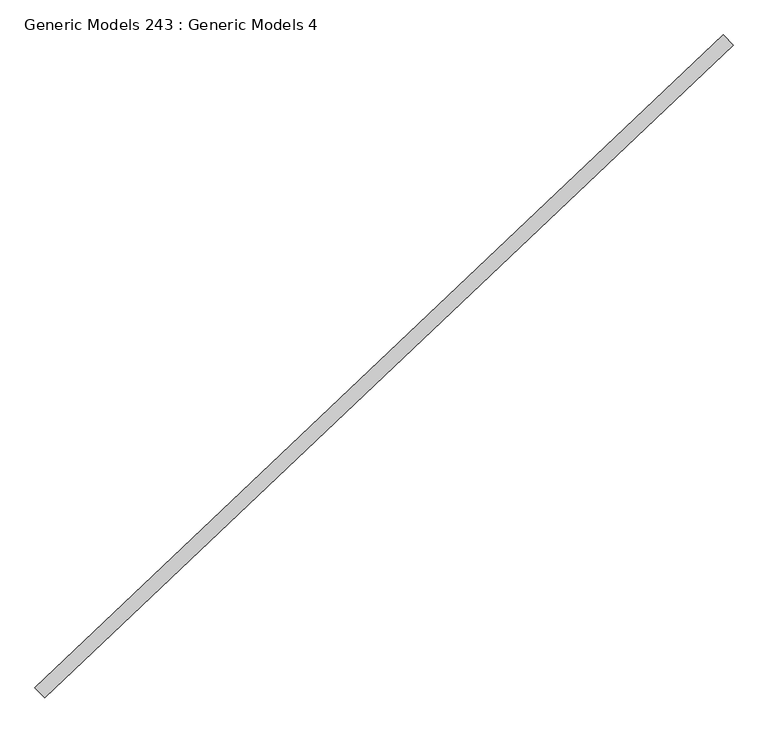
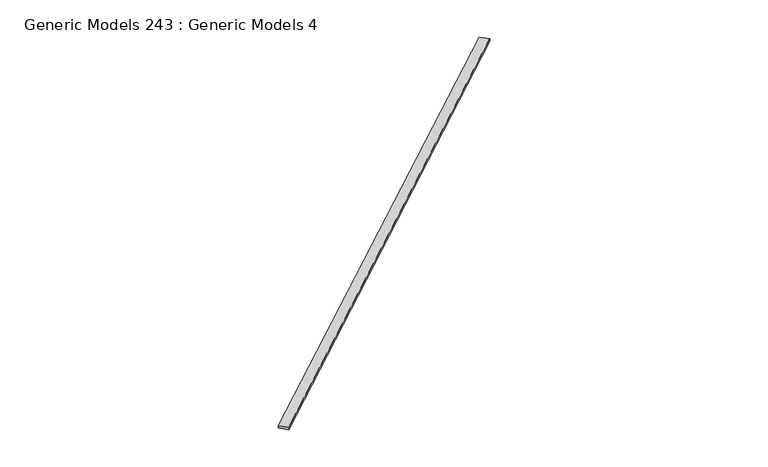
"""IFC4 building model written with IfcOpenShell, lengths in millimetres: proxy geometry, Generic Models 243 : Generic Models 4."""

from ifc_helpers import new_model, si_unit, origin, place, context, project, spatial, faceted_brep, source, transform, mapped, element, save


def generic_models_243_generic_models_4_cc6a73b5(model_context):
    return source(origin(), model_context, "Body", "Brep", [
        faceted_brep([(103193.4660831, 41004.6723895, 17924.1394961), (103097.3029488, 41106.0071891, 17924.1394961), (103097.3029488, 41106.0071891, 17886.0394961), (103193.4660831, 41004.6723895, 17886.0394961), (109895.3812404, 47364.5524029, 17924.1394961), (109895.3812404, 47364.5524029, 17886.0394961), (109799.2181062, 47465.8872026, 17886.0394961), (109799.2181062, 47465.8872026, 17924.1394961), (109133.6327177, 46834.2702528, 17886.0394961)], [[[0, 1, 2, 3]], [[4, 5, 6, 7]], [[0, 3, 5, 4]], [[3, 2, 8, 6, 5]], [[2, 1, 7, 6, 8]], [[1, 0, 4, 7]]]),
    ])


if __name__ == "__main__":
    model = new_model("IFC4")
    model_context = context("Model", 3, world=origin())
    ifc_project = project(units=[si_unit("LENGTHUNIT", "METRE", prefix="MILLI")], contexts=[model_context])
    site = spatial("IfcSite", under=ifc_project)
    building = spatial("IfcBuilding", under=site)
    placement = place(None, origin())
    generic_models_243_generic_models_4_shape = generic_models_243_generic_models_4_cc6a73b5(model_context)
    element("IfcBuildingElementProxy", 1, Name="Generic Models 243 : Generic Models 4", ObjectType="Generic Models 243 : Generic Models 4", at=placement, inside=building, context=model_context, shape_type="MappedRepresentation", body=[
        mapped(generic_models_243_generic_models_4_shape, transform((0.0, 0.0, 0.0), x_axis=(1.0, 0.0, 0.0), y_axis=(0.0, 1.0, 0.0), z_axis=(0.0, 0.0, 1.0))),
    ])
    save(model, "model.ifc")
